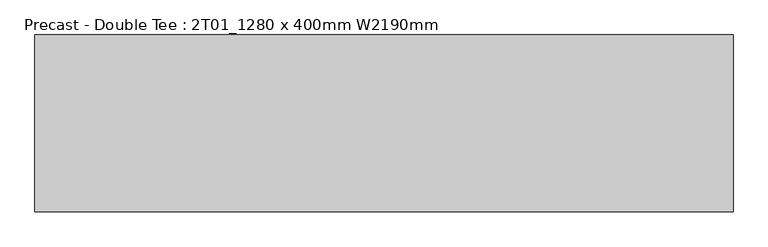
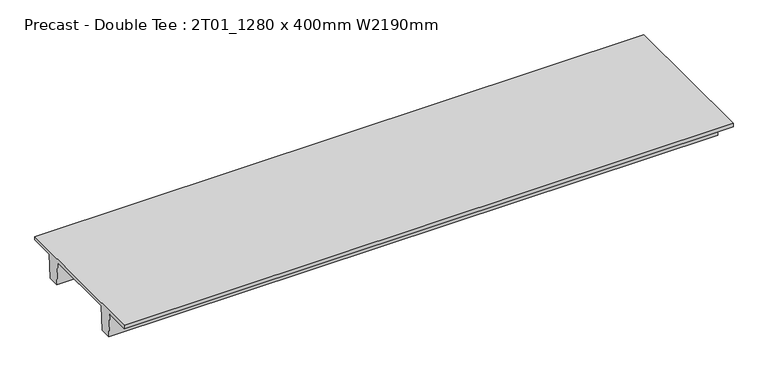
"""IFC4 building model written with IfcOpenShell, lengths in millimetres: beam geometry, Precast - Double Tee : 2T01_1280 x 400mm W2190mm."""

from ifc_helpers import new_model, si_unit, frame, origin, place, context, project, spatial, polyline, outline, extrude, source, transform, mapped, element, save


def precast_double_tee_2t01_1280_x_400mm_w2190mm_a7a6afda(model_context):
    return source(origin(), model_context, "Body", "SweptSolid", [
        extrude(outline(polyline([(1095.0, 200.0), (1095.0, 150.0), (745.4, 150.0), (720.0, -200.0), (560.0, -200.0), (534.6, 150.0), (-534.6, 150.0), (-560.0, -200.0), (-720.0, -200.0), (-745.4, 150.0), (-1095.0, 150.0), (-1095.0, 200.0), (1095.0, 200.0)])), frame((-4318.0, 0.0, 0.0), z_axis=(1.0, 0.0, 0.0), x_axis=(0.0, 1.0, 0.0)), (0.0, 0.0, 1.0), 8636.0),
    ])


if __name__ == "__main__":
    model = new_model("IFC4")
    model_context = context("Model", 3, world=origin())
    ifc_project = project(units=[si_unit("LENGTHUNIT", "METRE", prefix="MILLI")], contexts=[model_context])
    site = spatial("IfcSite", under=ifc_project)
    building = spatial("IfcBuilding", under=site)
    placement = place(None, origin())
    precast_double_tee_2t01_1280_x_400mm_w2190mm_shape = precast_double_tee_2t01_1280_x_400mm_w2190mm_a7a6afda(model_context)
    element("IfcBeam", 1, ObjectType="Precast - Double Tee : 2T01_1280 x 400mm W2190mm", at=placement, inside=building, context=model_context, shape_type="MappedRepresentation", body=[
        mapped(precast_double_tee_2t01_1280_x_400mm_w2190mm_shape, transform((0.0, 0.0, 0.0), x_axis=(1.0, 0.0, 0.0), y_axis=(0.0, 1.0, 0.0), z_axis=(0.0, 0.0, 1.0))),
    ])
    save(model, "model.ifc")
